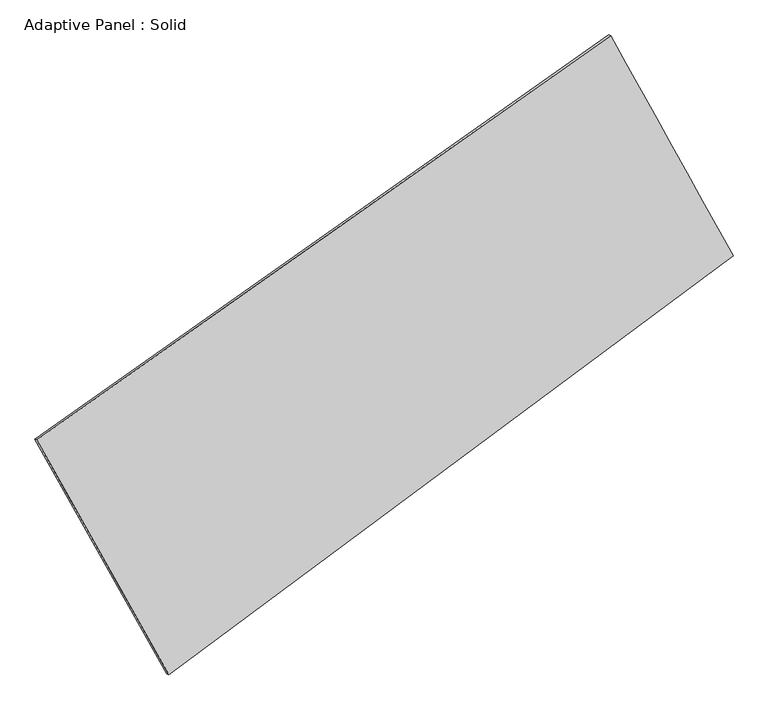
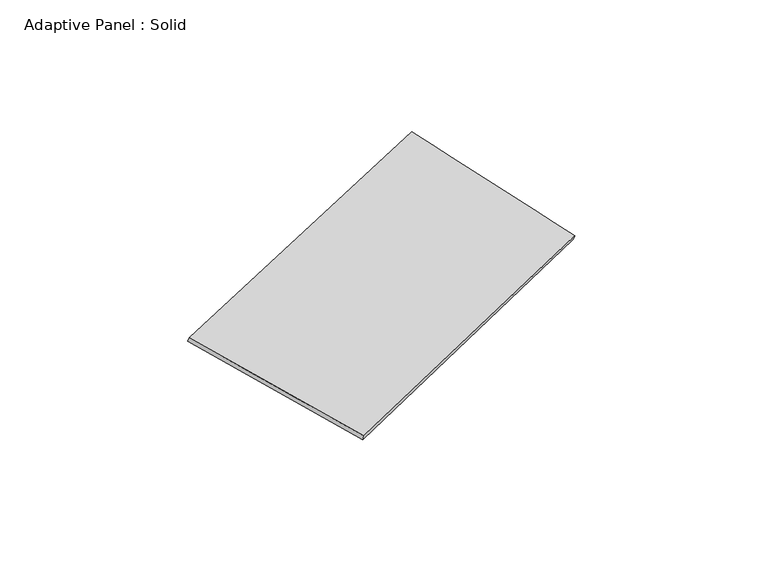
"""IFC4 building model written with IfcOpenShell, lengths in millimetres: plate geometry, Adaptive Panel : Solid."""

from ifc_helpers import new_model, si_unit, frame, origin, place, context, project, spatial, source, transform, mapped, element, save
from ifc_brep_helpers import plane_surface, spline_surface, advanced_brep


def adaptive_panel_solid_392c7679(model_context):
    return source(origin(), model_context, "Body", "AdvancedBrep", [
        advanced_brep(
        [(1213.2269126, 2535.7121976, 691.5962584), (-3577.5236318, -839.3082485, 1637.359315), (-3562.857276, -845.688342, 1684.732223), (1227.8932684, 2529.3321041, 738.9691664), (-2475.0399805, -2797.5636811, 1113.0512798), (-2460.3736247, -2803.9437745, 1160.4241878), (2236.0461216, 700.9111591, 43.115667), (2250.7124775, 694.5310657, 90.4885751)],
        [
            (0, 1),
            (1, 2),
            (2, 3),
            (3, 0),
            (1, 4),
            (4, 5),
            (5, 2),
            (4, 6),
            (6, 7),
            (7, 5),
            (6, 0),
            (3, 7),
        ],
        [
            plane_surface(frame((-1182.1483596, 848.2019745, 1164.4777867), z_axis=(-0.518406372362511, 0.8114632859007314, 0.2697817056976426), x_axis=(-0.8070622667568836, -0.5685647011637615, 0.15932569839107386))),
            plane_surface(frame((-3026.2818062, -1818.4359648, 1375.2052974), z_axis=(-0.8334651488694856, -0.5195861477303872, 0.18805871611457597), x_axis=(0.4777568359584516, -0.8486020798543747, -0.2272067687411594))),
            plane_surface(frame((-119.4969295, -1048.326261, 578.0834734), z_axis=(0.5328636159138804, -0.8010054408838603, -0.2728491350721813), x_axis=(0.7898192395631612, 0.5865235060448233, -0.17937598967743126))),
            plane_surface(frame((1724.6365171, 1618.3116784, 367.3559627), z_axis=(0.8289293543607807, 0.5276758197929419, -0.18556496082198876), x_axis=(-0.4652456734739737, 0.8345885932376379, 0.29497176704113487))),
            spline_surface(1, 1, [[(-3562.857276, -845.688342, 1684.732223), (1227.8932684, 2529.3321041, 738.9691664)], [(-2460.3736247, -2803.9437745, 1160.4241878), (2250.7124775, 694.5310657, 90.4885751)]], [2, 2], [2, 2], [0.0, 1.0], [0.0, 1.0]),
            spline_surface(1, 1, [[(2236.0461216, 700.9111591, 43.115667), (1213.2269126, 2535.7121976, 691.5962584)], [(-2475.0399805, -2797.5636811, 1113.0512798), (-3577.5236318, -839.3082485, 1637.359315)]], [2, 2], [2, 2], [0.0, 1.0], [0.0, 1.0]),
        ],
        [
            (0, [[1, 2, 3, 4]]),
            (1, [[5, 6, 7, -2]]),
            (2, [[8, 9, 10, -6]]),
            (3, [[11, -4, 12, -9]]),
            (4, [[-3, -7, -10, -12]]),
            (5, [[-11, -8, -5, -1]]),
        ],
    ),
    ])


if __name__ == "__main__":
    model = new_model("IFC4")
    model_context = context("Model", 3, world=origin())
    ifc_project = project(units=[si_unit("LENGTHUNIT", "METRE", prefix="MILLI")], contexts=[model_context])
    site = spatial("IfcSite", under=ifc_project)
    building = spatial("IfcBuilding", under=site)
    placement = place(None, origin())
    adaptive_panel_solid_shape = adaptive_panel_solid_392c7679(model_context)
    element("IfcPlate", 1, ObjectType="Adaptive Panel : Solid", at=placement, inside=building, context=model_context, shape_type="MappedRepresentation", body=[
        mapped(adaptive_panel_solid_shape, transform((0.0, 0.0, 0.0), x_axis=(1.0, 0.0, 0.0), y_axis=(0.0, 1.0, 0.0), z_axis=(0.0, 0.0, 1.0))),
    ])
    save(model, "model.ifc")
